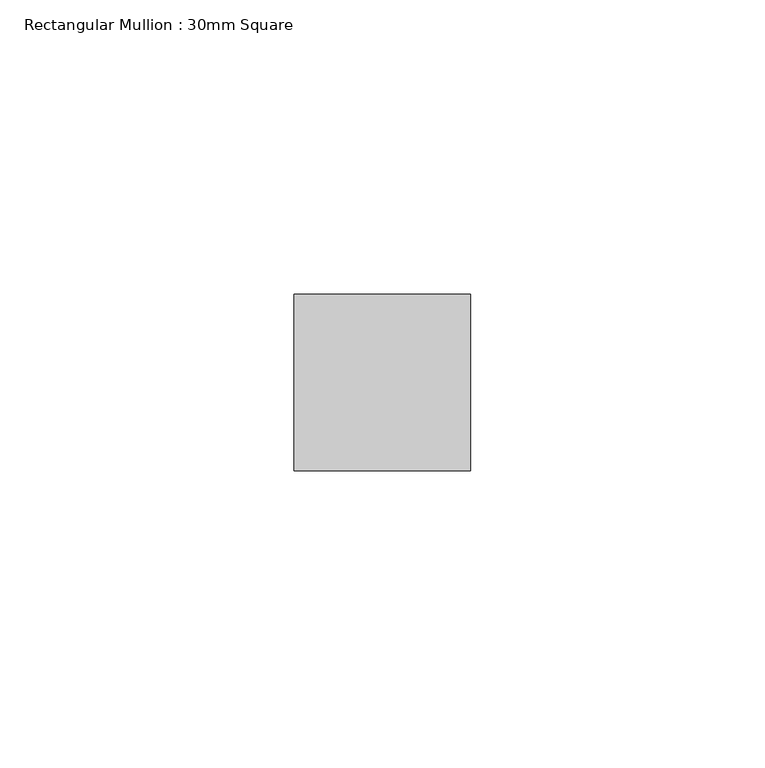
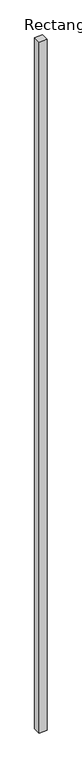
"""IFC4 building model written with IfcOpenShell, lengths in millimetres: member geometry, Rectangular Mullion : 30mm Square."""

from ifc_helpers import new_model, si_unit, frame, origin, place, context, project, spatial, polyline, outline, extrude, source, transform, mapped, element, save


def rectangular_mullion_30mm_square_d8bbb1be(model_context):
    return source(origin(), model_context, "Body", "SweptSolid", [
        extrude(outline(polyline([(15.0, 15.0), (15.0, -15.0), (-15.0, -15.0), (-15.0, 15.0), (15.0, 15.0)])), frame((0.0, 0.0, -2795.0), z_axis=(0.0, 0.0, 1.0), x_axis=(1.0, 0.0, 0.0)), (0.0, 0.0, 1.0), 2795.0),
    ])


if __name__ == "__main__":
    model = new_model("IFC4")
    model_context = context("Model", 3, world=origin())
    ifc_project = project(units=[si_unit("LENGTHUNIT", "METRE", prefix="MILLI")], contexts=[model_context])
    site = spatial("IfcSite", under=ifc_project)
    building = spatial("IfcBuilding", under=site)
    placement = place(None, origin())
    rectangular_mullion_30mm_square_shape = rectangular_mullion_30mm_square_d8bbb1be(model_context)
    element("IfcMember", 1, ObjectType="Rectangular Mullion : 30mm Square", at=placement, inside=building, context=model_context, shape_type="MappedRepresentation", body=[
        mapped(rectangular_mullion_30mm_square_shape, transform((0.0, 0.0, 0.0), x_axis=(1.0, 0.0, 0.0), y_axis=(0.0, 1.0, 0.0), z_axis=(0.0, 0.0, 1.0))),
    ])
    save(model, "model.ifc")
